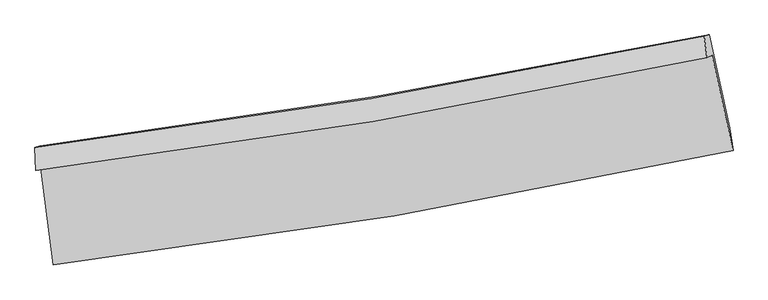
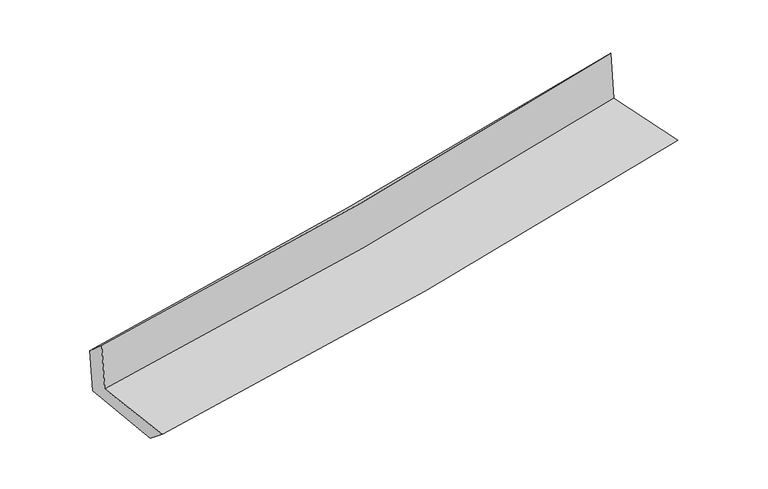
"""IFC4 building model written with IfcOpenShell, lengths in millimetres: proxy geometry."""

from ifc_helpers import new_model, si_unit, frame, origin, place, context, project, spatial, source, transform, mapped, element, save
from ifc_brep_helpers import plane_surface, spline_curve, spline_surface, advanced_brep


def generic_models_251ce224(model_context):
    return source(origin(), model_context, "Body", "AdvancedBrep", [
        advanced_brep(
        [(-2303.2724733, -1869.442057, 1689.4380984), (-2219.704561, -2525.911582, 1672.2788212), (2386.8458216, -1749.5836865, 2094.6510442), (2244.5603505, -1103.2107273, 2111.537349), (-2337.3709951, -1886.1040352, 2085.1696907), (2209.4546011, -1120.3482977, 2517.7714368), (-2343.9839269, -1728.427902, 1942.0766707), (2191.6976418, -974.812564, 2372.2023006), (-2312.5238113, -1718.4252471, 1584.3020673), (2224.5888576, -964.436627, 2004.5260698), (-2227.0809758, -2376.437988, 1548.7434317), (2365.2558795, -1597.8694353, 1975.1109651)],
        [
            (0, 1),
            (1, 2, spline_curve(3, [(-2219.704561, -2525.911582, 1672.2788212), (-1446.255470723, -2432.737416006, 1739.51305501), (-675.733191878, -2321.474045391, 1808.319993773), (859.786107048, -2062.713560231, 1949.109389013), (1624.780622307, -1915.200965664, 2021.093191126), (2386.8458216, -1749.5836865, 2094.6510442)], [4, 2, 4], [0.0, 7.646430014129578, 15.29613103782227])),
            (2, 3),
            (3, 0, spline_curve(3, [(2244.5603505, -1103.2107273, 2111.537349), (1492.480392395, -1263.181446206, 2036.453529486), (737.372652848, -1407.029624067, 1963.729664769), (-778.574210356, -1662.426282494, 1823.031932615), (-1539.410745619, -1773.988547822, 1755.05604691), (-2303.2724733, -1869.442057, 1689.4380984)], [4, 2, 4], [0.0, 7.649701023692693, 15.29613103782227])),
            (4, 0),
            (3, 5),
            (5, 4, spline_curve(3, [(2209.4546011, -1120.3482977, 2517.7714368), (1457.606418705, -1280.161167951, 2440.126902216), (702.69851386, -1423.890788747, 2365.247371451), (-812.912634559, -1679.128949708, 2221.049153496), (-1573.613261553, -1790.651241494, 2151.728102269), (-2337.3709951, -1886.1040352, 2085.1696907)], [4, 2, 4], [0.0, 7.600707217112555, 15.198164374397072])),
            (6, 4),
            (5, 7),
            (7, 6, spline_curve(3, [(2191.6976418, -974.812564, 2372.2023006), (1440.239343123, -1129.706191153, 2305.499290045), (686.455404633, -1269.964583926, 2236.295782613), (-825.440440234, -1521.157183054, 2092.918434795), (-1583.550357723, -1632.103903345, 2018.746732214), (-2343.9839269, -1728.427902, 1942.0766707)], [4, 2, 4], [0.0, 7.5895881491370565, 15.17593099295577])),
            (8, 6),
            (7, 9),
            (9, 8, spline_curve(3, [(2224.5888576, -964.436627, 2004.5260698), (1473.766198674, -1119.118779827, 1929.519734686), (720.180702563, -1259.302577914, 1856.990941292), (-792.192549072, -1510.619721433, 1716.9183922), (-1550.977942744, -1621.765463415, 1649.372518012), (-2312.5238113, -1718.4252471, 1584.3020673)], [4, 2, 4], [0.0, 7.579041525440126, 15.154842255294625])),
            (10, 8),
            (9, 11),
            (11, 10, spline_curve(3, [(2365.2558795, -1597.8694353, 1975.1109651), (1606.835929125, -1768.675502057, 1898.443504853), (844.848615931, -1918.968736896, 1824.572146707), (-685.933386211, -2178.474049247, 1682.452026048), (-1454.725024461, -2287.703665161, 1614.200873367), (-2227.0809758, -2376.437988, 1548.7434317)], [4, 2, 4], [0.0, 7.62858552591176, 15.253909071240093])),
            (1, 10),
            (11, 2),
        ],
        [
            spline_surface(3, 3, [[(-2303.2724733, -1869.442057, 1689.4380984), (-1539.410745574, -1773.988547735, 1755.056047002), (-778.574210463, -1662.426282371, 1823.031932488), (737.372652955, -1407.02962419, 1963.729664896), (1492.480392414, -1263.181446294, 2036.453529595), (2244.5603505, -1103.2107273, 2111.537349)], [(-2275.416502528, -2088.265232017, 1683.718339341), (-1508.35898727, -1993.571503866, 1749.875049658), (-744.293870899, -1882.10887007, 1818.127952929), (778.177137652, -1625.590936152, 1958.856239579), (1536.580469049, -1480.521286031, 2031.333416749), (2291.988840863, -1318.668380344, 2105.908580708)], [(-2247.560531772, -2307.088406983, 1677.998580259), (-1477.307228982, -2213.154459946, 1744.694052292), (-710.013531388, -2101.791457807, 1813.223973385), (818.981622297, -1844.152248154, 1953.982814277), (1580.680545696, -1697.861125837, 2026.213303979), (2339.417331237, -1534.126033456, 2100.279812492)], [(-2219.704561, -2525.911582, 1672.2788212), (-1446.255470677, -2432.737416077, 1739.513054948), (-675.733191825, -2321.474045506, 1808.319993825), (859.786106994, -2062.713560116, 1949.10938896), (1624.780622331, -1915.200965573, 2021.093191133), (2386.8458216, -1749.5836865, 2094.6510442)]], [4, 4], [4, 2, 4], [0.0, 2.188666577546903], [0.0, 7.646430014129578, 15.29613103782227]),
            spline_surface(3, 3, [[(-2337.3709951, -1886.1040352, 2085.1696907), (-1573.613261526, -1790.65124144, 2151.728102298), (-812.912634435, -1679.128949752, 2221.049153517), (702.698513736, -1423.890788702, 2365.24737143), (1457.60641873, -1280.161167876, 2440.126902238), (2209.4546011, -1120.3482977, 2517.7714368)], [(-2326.004821162, -1880.550042456, 1953.259159945), (-1562.21242287, -1785.097010194, 2019.504083878), (-801.466493133, -1673.561393986, 2088.376746519), (714.25656012, -1418.270400559, 2231.40813593), (1469.231076654, -1274.501260678, 2305.569111372), (2221.156517596, -1114.635774229, 2382.360074216)], [(-2314.638647238, -1874.996049744, 1821.348629155), (-1550.81158423, -1779.542778981, 1887.280065423), (-790.020351765, -1667.993838138, 1955.704339486), (725.81460657, -1412.650012333, 2097.568900396), (1480.85573449, -1268.841353493, 2171.01132046), (2232.858434004, -1108.923250771, 2246.948711584)], [(-2303.2724733, -1869.442057, 1689.4380984), (-1539.410745574, -1773.988547735, 1755.056047002), (-778.574210463, -1662.426282371, 1823.031932488), (737.372652955, -1407.02962419, 1963.729664896), (1492.480392414, -1263.181446294, 2036.453529595), (2244.5603505, -1103.2107273, 2111.537349)]], [4, 4], [4, 2, 4], [0.0, 1.3176032167508174], [0.0, 7.597457157284516, 15.198164374397072]),
            spline_surface(3, 3, [[(-2343.9839269, -1728.427902, 1942.0766707), (-1583.550357815, -1632.10390323, 2018.746732186), (-825.440440143, -1521.157183144, 2092.918434727), (686.455404543, -1269.964583837, 2236.295782681), (1440.23934312, -1129.706191271, 2305.499290065), (2191.6976418, -974.812564, 2372.2023006)], [(-2341.779616311, -1780.986613075, 1989.77434404), (-1580.237992397, -1684.953015975, 2063.073855563), (-821.264504895, -1573.814438672, 2135.628674325), (691.869774286, -1321.273318784, 2279.279645598), (1446.028368311, -1179.857850162, 2350.375160778), (2197.61662822, -1023.324475256, 2420.725345989)], [(-2339.575305689, -1833.545324125, 2037.47201736), (-1576.925626944, -1737.802128695, 2107.400978921), (-817.088569683, -1626.471694224, 2178.33891392), (697.284143992, -1372.582053755, 2322.263508513), (1451.81739354, -1230.009508985, 2395.251031524), (2203.53561468, -1071.836386444, 2469.248391411)], [(-2337.3709951, -1886.1040352, 2085.1696907), (-1573.613261526, -1790.65124144, 2151.728102298), (-812.912634435, -1679.128949752, 2221.049153517), (702.698513736, -1423.890788702, 2365.24737143), (1457.60641873, -1280.161167876, 2440.126902238), (2209.4546011, -1120.3482977, 2517.7714368)]], [4, 4], [4, 2, 4], [0.0, 0.6647215947635163], [0.0, 7.586342843818714, 15.17593099295577]),
            spline_surface(3, 3, [[(-2312.5238113, -1718.4252471, 1584.3020673), (-1550.977942834, -1621.765463516, 1649.372517981), (-792.192549193, -1510.619721516, 1716.918392161), (720.180702683, -1259.302577831, 1856.99094133), (1473.766198732, -1119.118779765, 1929.519734634), (2224.5888576, -964.436627, 2004.5260698)], [(-2323.010516508, -1721.759465413, 1703.560268429), (-1561.835414503, -1625.2116101, 1772.497256045), (-803.275179516, -1514.132208714, 1842.251739698), (708.93893663, -1262.856579822, 1983.425888462), (1462.590580207, -1122.647916922, 2054.846253119), (2213.625119013, -967.895272655, 2127.084813408)], [(-2333.497221692, -1725.093683687, 1822.818469571), (-1572.692886146, -1628.657756646, 1895.621994122), (-814.35780982, -1517.644695945, 1967.58508719), (697.697170596, -1266.410581846, 2109.860835549), (1451.414961645, -1126.177054114, 2180.172771579), (2202.661380387, -971.353918345, 2249.643556992)], [(-2343.9839269, -1728.427902, 1942.0766707), (-1583.550357815, -1632.10390323, 2018.746732186), (-825.440440143, -1521.157183144, 2092.918434727), (686.455404543, -1269.964583837, 2236.295782681), (1440.23934312, -1129.706191271, 2305.499290065), (2191.6976418, -974.812564, 2372.2023006)]], [4, 4], [4, 2, 4], [0.0, 1.244366883981725], [0.0, 7.575800729854499, 15.154842255294625]),
            spline_surface(3, 3, [[(-2227.0809758, -2376.437988, 1548.7434317), (-1454.725024465, -2287.703665068, 1614.20087327), (-685.933386095, -2178.474049127, 1682.452026156), (844.848615815, -1918.968737017, 1824.572146599), (1606.835929233, -1768.675502096, 1898.4435048), (2365.2558795, -1597.8694353, 1975.1109651)], [(-2255.561920952, -2157.100407685, 1560.596310238), (-1486.809330574, -2065.724264536, 1625.924754844), (-721.353107132, -1955.855939938, 1693.940814799), (803.292644767, -1699.080017303, 1835.378411483), (1562.479352395, -1552.156594674, 1908.802248068), (2318.366872196, -1386.725165888, 1984.915999989)], [(-2284.042866148, -1937.762827415, 1572.449188762), (-1518.893636726, -1843.744864048, 1637.648636406), (-756.772828156, -1733.237830704, 1705.429603519), (761.736673732, -1479.191297545, 1846.184676446), (1518.122775569, -1335.637687187, 1919.160991366), (2271.477864904, -1175.580896412, 1994.721034911)], [(-2312.5238113, -1718.4252471, 1584.3020673), (-1550.977942834, -1621.765463516, 1649.372517981), (-792.192549193, -1510.619721516, 1716.918392161), (720.180702683, -1259.302577831, 1856.99094133), (1473.766198732, -1119.118779765, 1929.519734634), (2224.5888576, -964.436627, 2004.5260698)]], [4, 4], [4, 2, 4], [0.0, 2.2131118230629725], [0.0, 7.6253235453283335, 15.253909071240093]),
            spline_surface(3, 3, [[(-2219.704561, -2525.911582, 1672.2788212), (-1446.255470677, -2432.737416077, 1739.513054948), (-675.733191825, -2321.474045506, 1808.319993825), (859.786106994, -2062.713560116, 1949.10938896), (1624.780622331, -1915.200965573, 2021.093191133), (2386.8458216, -1749.5836865, 2094.6510442)], [(-2222.163365938, -2476.087050655, 1631.100358008), (-1449.078655279, -2384.392832395, 1697.742327696), (-679.133256579, -2273.807380036, 1766.364004606), (854.806943271, -2014.798619073, 1907.596974843), (1618.799057944, -1866.35914441, 1980.209962378), (2379.649174212, -1699.012269429, 2054.804351189)], [(-2224.622170862, -2426.262519345, 1589.921894892), (-1451.901839864, -2336.048248749, 1655.971600521), (-682.533321341, -2226.140714597, 1724.408015376), (849.827779539, -1966.88367806, 1866.084560716), (1612.81749362, -1817.51732326, 1939.326733555), (2372.452526888, -1648.440852371, 2014.957658111)], [(-2227.0809758, -2376.437988, 1548.7434317), (-1454.725024465, -2287.703665068, 1614.20087327), (-685.933386095, -2178.474049127, 1682.452026156), (844.848615815, -1918.968737017, 1824.572146599), (1606.835929233, -1768.675502096, 1898.4435048), (2365.2558795, -1597.8694353, 1975.1109651)]], [4, 4], [4, 2, 4], [0.0, 0.6258524880184468], [0.0, 7.68489527133965, 15.373078007009404]),
            plane_surface(frame((2270.4005253, -1251.710223, 2179.2998609), z_axis=(0.9728921847469673, 0.21173205574358508, 0.09300716869612112), x_axis=(-0.0890660234345649, -0.028096968247908357, 0.9956293506344767))),
            plane_surface(frame((-2290.6561239, -2017.4581352, 1753.66813), z_axis=(-0.9882306585959402, -0.12343916474202356, -0.09034897906908648), x_axis=(-0.12623749400477277, 0.9916613379025454, 0.025920764200324437))),
        ],
        [
            (0, [[1, 2, 3, 4]]),
            (1, [[5, -4, 6, 7]]),
            (2, [[8, -7, 9, 10]]),
            (3, [[11, -10, 12, 13]]),
            (4, [[14, -13, 15, 16]]),
            (5, [[17, -16, 18, -2]]),
            (6, [[-12, -9, -6, -3, -18, -15]]),
            (7, [[-1, -5, -8, -11, -14, -17]]),
        ],
    ),
    ])


if __name__ == "__main__":
    model = new_model("IFC4")
    model_context = context("Model", 3, world=origin())
    ifc_project = project(units=[si_unit("LENGTHUNIT", "METRE", prefix="MILLI")], contexts=[model_context])
    site = spatial("IfcSite", under=ifc_project)
    building = spatial("IfcBuilding", under=site)
    placement = place(None, origin())
    generic_models_shape = generic_models_251ce224(model_context)
    element("IfcBuildingElementProxy", 1, Name="Generic Models", at=placement, inside=building, context=model_context, shape_type="MappedRepresentation", body=[
        mapped(generic_models_shape, transform((0.0, 0.0, 0.0), x_axis=(1.0, 0.0, 0.0), y_axis=(0.0, 1.0, 0.0), z_axis=(0.0, 0.0, 1.0))),
    ])
    save(model, "model.ifc")
